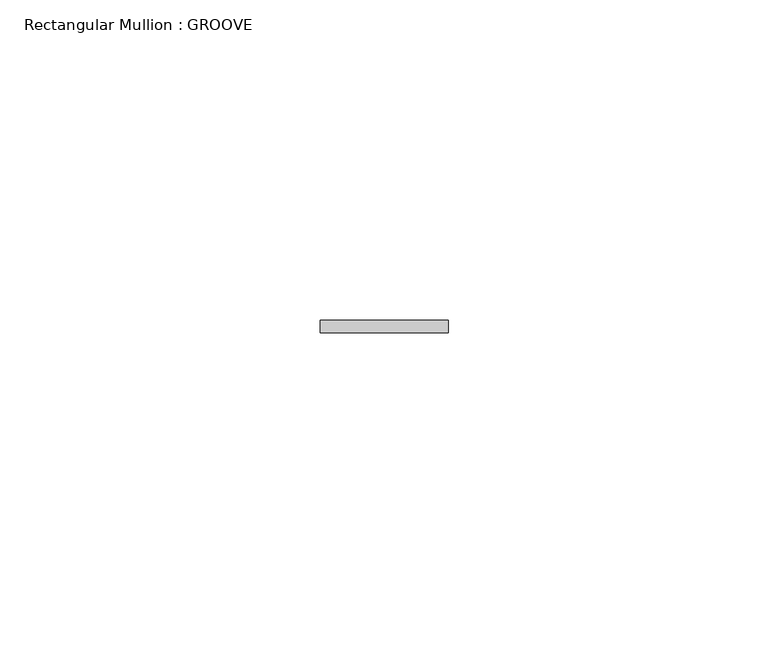
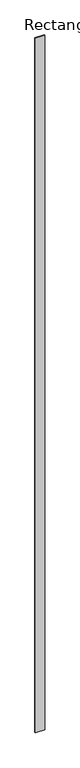
"""IFC4 building model written with IfcOpenShell, lengths in millimetres: member geometry, Rectangular Mullion : GROOVE."""

from ifc_helpers import new_model, si_unit, frame, origin, place, context, project, spatial, polyline, outline, extrude, source, transform, mapped, element, save


def rectangular_mullion_groove_065af6c2(model_context):
    return source(origin(), model_context, "Body", "SweptSolid", [
        extrude(outline(polyline([(10.0, 51.0), (10.0, 49.0), (-10.0, 49.0), (-10.0, 51.0), (10.0, 51.0)])), frame((0.0, 0.0, -1594.445853), z_axis=(0.0, 0.0, 1.0), x_axis=(1.0, 0.0, 0.0)), (0.0, 0.0, 1.0), 1594.445853),
    ])


if __name__ == "__main__":
    model = new_model("IFC4")
    model_context = context("Model", 3, world=origin())
    ifc_project = project(units=[si_unit("LENGTHUNIT", "METRE", prefix="MILLI")], contexts=[model_context])
    site = spatial("IfcSite", under=ifc_project)
    building = spatial("IfcBuilding", under=site)
    placement = place(None, origin())
    rectangular_mullion_groove_shape = rectangular_mullion_groove_065af6c2(model_context)
    element("IfcMember", 1, ObjectType="Rectangular Mullion : GROOVE", at=placement, inside=building, context=model_context, shape_type="MappedRepresentation", body=[
        mapped(rectangular_mullion_groove_shape, transform((0.0, 0.0, 0.0), x_axis=(1.0, 0.0, 0.0), y_axis=(0.0, 1.0, 0.0), z_axis=(0.0, 0.0, 1.0))),
    ])
    save(model, "model.ifc")
